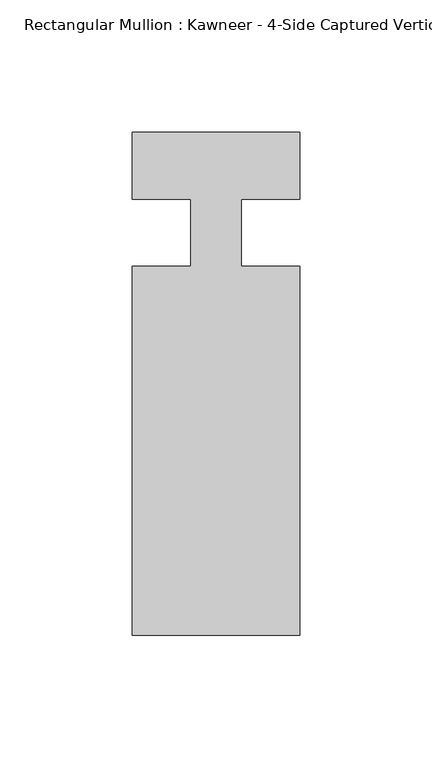
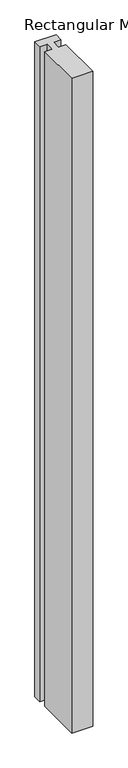
"""IFC4 building model written with IfcOpenShell, lengths in millimetres: member geometry."""

from ifc_helpers import new_model, si_unit, frame, origin, place, context, project, spatial, polyline, outline, extrude, source, transform, mapped, element, save


def member_036b6835(model_context):
    return source(origin(), model_context, "Body", "SweptSolid", [
        extrude(outline(polyline([(-9.5251132, 12.7), (-31.75, 12.7), (-31.75, 38.1), (31.75, 38.1), (31.75, 12.7), (9.5251132, 12.7), (9.5251132, -12.7), (31.75, -12.7), (31.75, -152.399995), (-31.75, -152.399995), (-31.75, -12.7), (-9.5251132, -12.7), (-9.5251132, 12.7)])), frame((0.0, 0.0, -2075.4930277), z_axis=(0.0, 0.0, 1.0), x_axis=(1.0, 0.0, 0.0)), (0.0, 0.0, 1.0), 2075.4930277),
    ])


if __name__ == "__main__":
    model = new_model("IFC4")
    model_context = context("Model", 3, world=origin())
    ifc_project = project(units=[si_unit("LENGTHUNIT", "METRE", prefix="MILLI")], contexts=[model_context])
    site = spatial("IfcSite", under=ifc_project)
    building = spatial("IfcBuilding", under=site)
    placement = place(None, origin())
    member_shape = member_036b6835(model_context)
    element("IfcMember", 1, ObjectType="Rectangular Mullion : Kawneer - 4-Side Captured Vertical Mullion - 7 1/2\"", at=placement, inside=building, context=model_context, shape_type="MappedRepresentation", body=[
        mapped(member_shape, transform((0.0, 0.0, 0.0), x_axis=(1.0, 0.0, 0.0), y_axis=(0.0, 1.0, 0.0), z_axis=(0.0, 0.0, 1.0))),
    ])
    save(model, "model.ifc")
